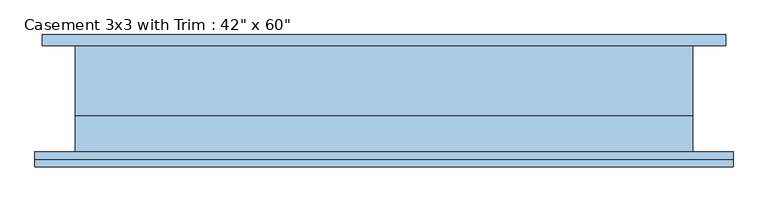
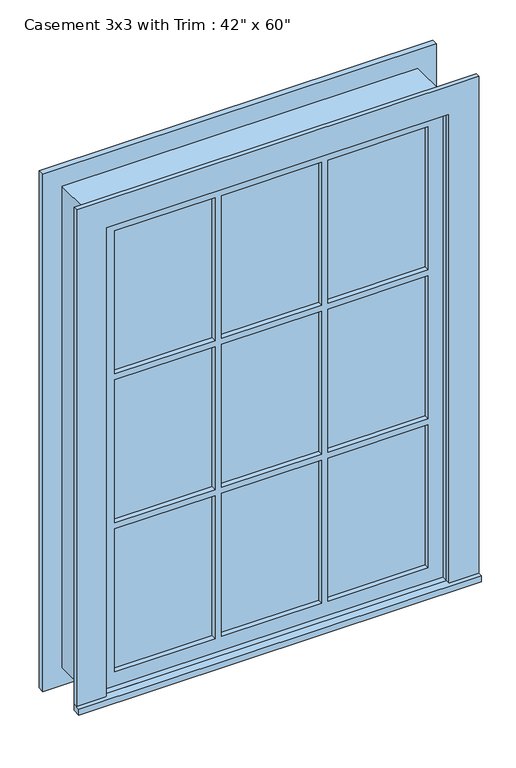
"""IFC4 building model written with IfcOpenShell, lengths in millimetres: window geometry."""

from ifc_helpers import new_model, si_unit, frame, origin, place, context, project, spatial, polyline, outline, extrude, source, transform, mapped, element, save


def window_b8ba9bb9(model_context):
    return source(origin(), model_context, "Body", "SweptSolid", [
        extrude(outline(polyline([(-603.25, -117.475), (-603.25, -92.075), (603.25, -92.075), (603.25, -117.475), (-603.25, -117.475)])), frame((0.0, 0.0, 609.6), z_axis=(0.0, 0.0, 1.0), x_axis=(1.0, 0.0, 0.0)), (0.0, 0.0, 1.0), 19.05),
        extrude(outline(polyline([(2114.55, -514.35), (2114.55, 514.35), (628.65, 514.35), (628.65, 603.25), (2203.45, 603.25), (2203.45, -603.25), (628.65, -603.25), (628.65, -514.35), (2114.55, -514.35)])), frame((0.0, -104.775, 0.0), z_axis=(0.0, 1.0, 0.0), x_axis=(0.0, 0.0, 1.0)), (0.0, 0.0, 1.0), 12.7),
        extrude(outline(polyline([(169.3333333, -57.15), (169.3333333, -44.45), (469.9, -44.45), (469.9, -57.15), (169.3333333, -57.15)])), frame((0.0, 0.0, 1617.1333333), z_axis=(0.0, 0.0, 1.0), x_axis=(1.0, 0.0, 0.0)), (0.0, 0.0, 1.0), 452.9666667),
        extrude(outline(polyline([(-150.2833333, -57.15), (-150.2833333, -44.45), (150.2833333, -44.45), (150.2833333, -57.15), (-150.2833333, -57.15)])), frame((0.0, 0.0, 1617.1333333), z_axis=(0.0, 0.0, 1.0), x_axis=(1.0, 0.0, 0.0)), (0.0, 0.0, 1.0), 452.9666667),
        extrude(outline(polyline([(-469.9, -57.15), (-469.9, -44.45), (-169.3333333, -44.45), (-169.3333333, -57.15), (-469.9, -57.15)])), frame((0.0, 0.0, 1617.1333333), z_axis=(0.0, 0.0, 1.0), x_axis=(1.0, 0.0, 0.0)), (0.0, 0.0, 1.0), 452.9666667),
        extrude(outline(polyline([(-469.9, -57.15), (-469.9, -44.45), (-169.3333333, -44.45), (-169.3333333, -57.15), (-469.9, -57.15)])), frame((0.0, 0.0, 1145.1166667), z_axis=(0.0, 0.0, 1.0), x_axis=(1.0, 0.0, 0.0)), (0.0, 0.0, 1.0), 452.9666667),
        extrude(outline(polyline([(-150.2833333, -57.15), (-150.2833333, -44.45), (150.2833333, -44.45), (150.2833333, -57.15), (-150.2833333, -57.15)])), frame((0.0, 0.0, 1145.1166667), z_axis=(0.0, 0.0, 1.0), x_axis=(1.0, 0.0, 0.0)), (0.0, 0.0, 1.0), 452.9666667),
        extrude(outline(polyline([(169.3333333, -57.15), (169.3333333, -44.45), (469.9, -44.45), (469.9, -57.15), (169.3333333, -57.15)])), frame((0.0, 0.0, 1145.1166667), z_axis=(0.0, 0.0, 1.0), x_axis=(1.0, 0.0, 0.0)), (0.0, 0.0, 1.0), 452.9666667),
        extrude(outline(polyline([(169.3333333, -57.15), (169.3333333, -44.45), (469.9, -44.45), (469.9, -57.15), (169.3333333, -57.15)])), frame((0.0, 0.0, 673.1), z_axis=(0.0, 0.0, 1.0), x_axis=(1.0, 0.0, 0.0)), (0.0, 0.0, 1.0), 452.9666667),
        extrude(outline(polyline([(-150.2833333, -57.15), (-150.2833333, -44.45), (150.2833333, -44.45), (150.2833333, -57.15), (-150.2833333, -57.15)])), frame((0.0, 0.0, 673.1), z_axis=(0.0, 0.0, 1.0), x_axis=(1.0, 0.0, 0.0)), (0.0, 0.0, 1.0), 452.9666667),
        extrude(outline(polyline([(-469.9, -57.15), (-469.9, -44.45), (-169.3333333, -44.45), (-169.3333333, -57.15), (-469.9, -57.15)])), frame((0.0, 0.0, 673.1), z_axis=(0.0, 0.0, 1.0), x_axis=(1.0, 0.0, 0.0)), (0.0, 0.0, 1.0), 452.9666667),
        extrude(outline(polyline([(2190.75, 590.55), (2190.75, -590.55), (552.45, -590.55), (552.45, 590.55), (2190.75, 590.55)]), holes=[polyline([(2101.85, 501.65), (641.35, 501.65), (641.35, -501.65), (2101.85, -501.65), (2101.85, 501.65)])]), frame((0.0, 92.075, 0.0), z_axis=(0.0, 1.0, 0.0), x_axis=(0.0, 0.0, 1.0)), (0.0, 0.0, 1.0), 19.05),
        extrude(outline(polyline([(2114.55, -514.35), (628.65, -514.35), (628.65, 514.35), (2114.55, 514.35), (2114.55, -514.35)]), holes=[polyline([(2070.1, -169.3333333), (1617.1333333, -169.3333333), (1617.1333333, -469.9), (2070.1, -469.9), (2070.1, -169.3333333)]), polyline([(1598.0833333, -169.3333333), (1145.1166667, -169.3333333), (1145.1166667, -469.9), (1598.0833333, -469.9), (1598.0833333, -169.3333333)]), polyline([(1126.0666667, -169.3333333), (673.1, -169.3333333), (673.1, -469.9), (1126.0666667, -469.9), (1126.0666667, -169.3333333)]), polyline([(2070.1, 150.2833333), (1617.1333333, 150.2833333), (1617.1333333, -150.2833333), (2070.1, -150.2833333), (2070.1, 150.2833333)]), polyline([(1598.0833333, 150.2833333), (1145.1166667, 150.2833333), (1145.1166667, -150.2833333), (1598.0833333, -150.2833333), (1598.0833333, 150.2833333)]), polyline([(1126.0666667, 150.2833333), (673.1, 150.2833333), (673.1, -150.2833333), (1126.0666667, -150.2833333), (1126.0666667, 150.2833333)]), polyline([(2070.1, 469.9), (1617.1333333, 469.9), (1617.1333333, 169.3333333), (2070.1, 169.3333333), (2070.1, 469.9)]), polyline([(1598.0833333, 469.9), (1145.1166667, 469.9), (1145.1166667, 169.3333333), (1598.0833333, 169.3333333), (1598.0833333, 469.9)]), polyline([(1126.0666667, 469.9), (673.1, 469.9), (673.1, 169.3333333), (1126.0666667, 169.3333333), (1126.0666667, 469.9)])]), frame((0.0, -73.025, 0.0), z_axis=(0.0, 1.0, 0.0), x_axis=(0.0, 0.0, 1.0)), (0.0, 0.0, 1.0), 44.45),
        extrude(outline(polyline([(2133.6, -533.4), (609.6, -533.4), (609.6, 533.4), (2133.6, 533.4), (2133.6, -533.4)]), holes=[polyline([(2101.85, -501.65), (2101.85, 501.65), (641.35, 501.65), (641.35, -501.65), (2101.85, -501.65)])]), frame((0.0, -28.575, 0.0), z_axis=(0.0, 1.0, 0.0), x_axis=(0.0, 0.0, 1.0)), (0.0, 0.0, 1.0), 120.65),
        extrude(outline(polyline([(2133.6, 533.4), (2133.6, -533.4), (609.6, -533.4), (609.6, 533.4), (2133.6, 533.4)]), holes=[polyline([(2114.55, 514.35), (628.65, 514.35), (628.65, -514.35), (2114.55, -514.35), (2114.55, 514.35)])]), frame((0.0, -92.075, 0.0), z_axis=(0.0, 1.0, 0.0), x_axis=(0.0, 0.0, 1.0)), (0.0, 0.0, 1.0), 63.5),
    ])


if __name__ == "__main__":
    model = new_model("IFC4")
    model_context = context("Model", 3, world=origin())
    ifc_project = project(units=[si_unit("LENGTHUNIT", "METRE", prefix="MILLI")], contexts=[model_context])
    site = spatial("IfcSite", under=ifc_project)
    building = spatial("IfcBuilding", under=site)
    placement = place(None, origin())
    window_shape = window_b8ba9bb9(model_context)
    element("IfcWindow", 1, ObjectType="Casement 3x3 with Trim : 42\" x 60\"", at=placement, inside=building, context=model_context, shape_type="MappedRepresentation", body=[
        mapped(window_shape, transform((0.0, 0.0, 0.0), x_axis=(1.0, 0.0, 0.0), y_axis=(0.0, 1.0, 0.0), z_axis=(0.0, 0.0, 1.0))),
    ])
    save(model, "model.ifc")
